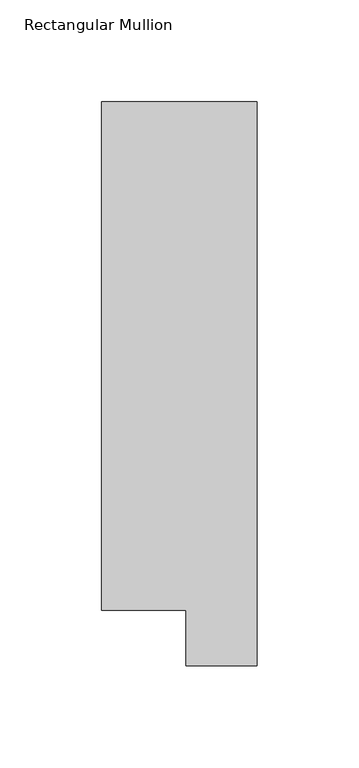
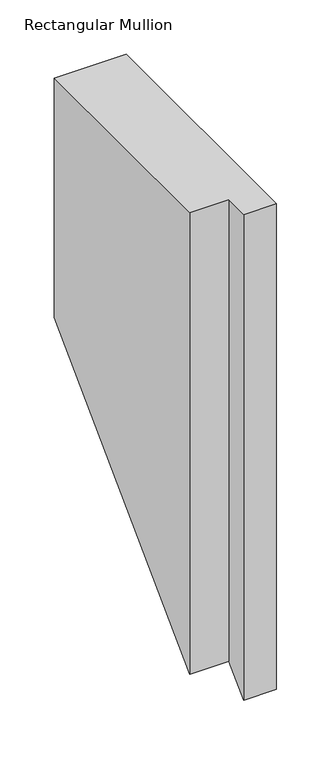
"""IFC4 building model written with IfcOpenShell, lengths in millimetres: member geometry, Rectangular Mullion."""

from ifc_helpers import new_model, si_unit, origin, place, context, project, spatial, faceted_brep, source, transform, mapped, element, save


def rectangular_mullion_aa98ef6b(model_context):
    return source(origin(), model_context, "Body", "Brep", [
        faceted_brep([(-3.3e-06, 295.9695326, 0.0), (-76.2000033, 295.9695317, 0.0), (-76.2000003, 46.7447306, 0.0), (-34.9123003, 46.7447311, 0.0), (-34.9123, 19.5667322, 0.0), (0.0, 19.5667326, 0.0), (-3.3e-06, 295.9695326, -269.1804674), (-76.2000033, 295.9695317, -269.1804683), (-76.2000003, 46.7447306, -518.4052694), (-34.9123003, 46.7447311, -518.4052689), (-34.9123, 19.5667322, -545.5832678), (0.0, 19.5667326, -545.5832674)], [[[0, 1, 2, 3, 4, 5]], [[1, 0, 6, 7]], [[2, 1, 7, 8]], [[3, 2, 8, 9]], [[4, 3, 9, 10]], [[5, 4, 10, 11]], [[0, 5, 11, 6]], [[6, 11, 10, 9, 8, 7]]]),
    ])


if __name__ == "__main__":
    model = new_model("IFC4")
    model_context = context("Model", 3, world=origin())
    ifc_project = project(units=[si_unit("LENGTHUNIT", "METRE", prefix="MILLI")], contexts=[model_context])
    site = spatial("IfcSite", under=ifc_project)
    building = spatial("IfcBuilding", under=site)
    placement = place(None, origin())
    rectangular_mullion_shape = rectangular_mullion_aa98ef6b(model_context)
    element("IfcMember", 1, ObjectType="Rectangular Mullion", at=placement, inside=building, context=model_context, shape_type="MappedRepresentation", body=[
        mapped(rectangular_mullion_shape, transform((0.0, 0.0, 0.0), x_axis=(1.0, 0.0, 0.0), y_axis=(0.0, 1.0, 0.0), z_axis=(0.0, 0.0, 1.0))),
    ])
    save(model, "model.ifc")
